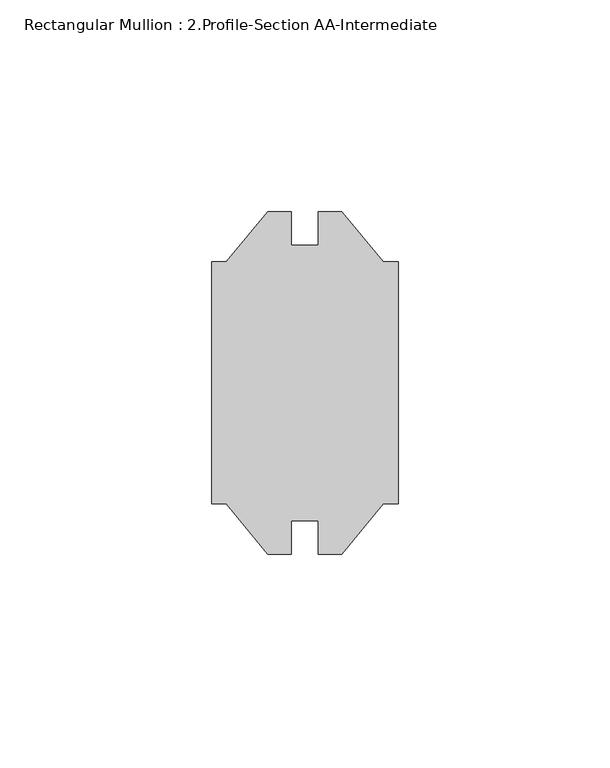
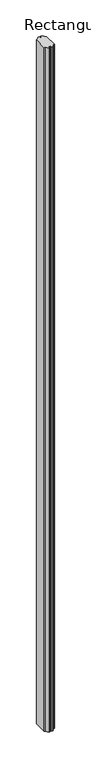
"""IFC4 building model written with IfcOpenShell, lengths in millimetres: member geometry, Rectangular Mullion : 2.Profile-Section AA-Intermediate."""

import ifcopenshell
import ifcopenshell.guid

model = None  # the IFC model being written
_history = None  # IfcOwnerHistory: only IFC2X3 demands one
_inside = {}  # id of a spatial element -> (the spatial element, [elements in it])
_under = {}  # id of a project, library or spatial element -> (it, [spatial elements below it])
_declared = {}  # id of a project -> (the project, [libraries it declares])
_typed = {}  # id of a type object -> (the type object, [elements of that type])
_made_of = {}  # id of a material, layer set ... -> (it, [elements and type objects made of it])


def new_model(schema):
    """Start an empty IFC model of exactly this schema.

    Asked for "IFC4X3", IfcOpenShell would pick the latest addendum, in which some entities
    have other attributes; the version numbers below select the first issue.
    IFC2X3 requires an IfcOwnerHistory on every rooted entity: one is made here for all.
    """
    global model, _history
    if schema == "IFC4X3":
        model = ifcopenshell.file(schema_version=(4, 3, 0, 0))
    else:
        model = ifcopenshell.file(schema=schema)
    _inside.clear()
    _under.clear()
    _declared.clear()
    _typed.clear()
    _made_of.clear()
    _history = None
    if model.schema == "IFC2X3":
        org = make("IfcOrganization", Name="unknown")
        user = make(
            "IfcPersonAndOrganization",
            ThePerson=make("IfcPerson", FamilyName="unknown"),
            TheOrganization=org,
        )
        app = make(
            "IfcApplication",
            ApplicationDeveloper=org,
            Version="unknown",
            ApplicationFullName="unknown",
            ApplicationIdentifier="unknown",
        )
        _history = make(
            "IfcOwnerHistory",
            OwningUser=user,
            OwningApplication=app,
            ChangeAction="ADDED",
            CreationDate=0,
        )
    return model


def make(cls, **values):
    """One entity of the class cls with the attributes given. An attribute that is None is left unset."""
    return model.create_entity(
        cls, **{name: value for name, value in values.items() if value is not None}
    )


def rooted(cls, **values):
    """An entity with a GlobalId (a new one), such as an element, a storey or a relation."""
    return make(cls, GlobalId=ifcopenshell.guid.new(), OwnerHistory=_history, **values)


def si_unit(unit_type, name, prefix=None):
    """IfcSIUnit, for example si_unit("LENGTHUNIT", "METRE", prefix="MILLI")."""
    return make("IfcSIUnit", UnitType=unit_type, Prefix=prefix, Name=name)


def assignment(units):
    """IfcUnitAssignment: the units of a project."""
    return None if units is None else make("IfcUnitAssignment", Units=units)


def point(xyz):
    """IfcCartesianPoint."""
    return None if xyz is None else make("IfcCartesianPoint", Coordinates=xyz)


def direction(xyz):
    """IfcDirection."""
    return None if xyz is None else make("IfcDirection", DirectionRatios=xyz)


def frame(location, z_axis=None, x_axis=None):
    """IfcAxis2Placement3D, a coordinate frame: its origin and axes. An axis left out is left unset."""
    return make(
        "IfcAxis2Placement3D",
        Location=point(location),
        Axis=direction(z_axis),
        RefDirection=direction(x_axis),
    )


def origin():
    """The frame at (0, 0, 0) with its axes left unset."""
    return frame((0.0, 0.0, 0.0))


def place(relative_to, where):
    """IfcLocalPlacement: puts the frame where relative to a parent placement (None: the world)."""
    return make(
        "IfcLocalPlacement", PlacementRelTo=relative_to, RelativePlacement=where
    )


def context(
    kind, dimensions, precision=None, world=None, true_north=None, identifier=None
):
    """IfcGeometricRepresentationContext, for example the 3D "Model" context."""
    return make(
        "IfcGeometricRepresentationContext",
        ContextIdentifier=identifier,
        ContextType=kind,
        CoordinateSpaceDimension=dimensions,
        Precision=precision,
        WorldCoordinateSystem=world,
        TrueNorth=true_north,
    )


def project(units=None, contexts=None):
    """IfcProject with its units and contexts."""
    return rooted(
        "IfcProject",
        Name="project",
        RepresentationContexts=contexts,
        UnitsInContext=assignment(units),
    )


def spatial(cls, under=None, at=None, **own):
    """A site, building, storey or space (cls), placed at a placement, below another one or the project."""
    s = rooted(cls, ObjectPlacement=at, **own)
    if under is not None:
        _under.setdefault(under.id(), (under, []))[1].append(s)
    return s


def polyline(points):
    """IfcPolyline through the points."""
    return make("IfcPolyline", Points=[point(p) for p in points])


def outline(outer, holes=None, kind="AREA"):
    """IfcArbitraryClosedProfileDef: a profile drawn as a closed curve; with holes, ...WithVoids."""
    if holes is None:
        return make("IfcArbitraryClosedProfileDef", ProfileType=kind, OuterCurve=outer)
    return make(
        "IfcArbitraryProfileDefWithVoids",
        ProfileType=kind,
        OuterCurve=outer,
        InnerCurves=holes,
    )


def extrude(swept, where, along, depth):
    """IfcExtrudedAreaSolid: the profile swept, set in the frame where, extruded along a direction by depth."""
    return make(
        "IfcExtrudedAreaSolid",
        SweptArea=swept,
        Position=where,
        ExtrudedDirection=direction(along),
        Depth=depth,
    )


def shape(context_of_items, identifier, shape_type, items):
    """IfcShapeRepresentation: the items that make up one representation, for example the "Body"."""
    return make(
        "IfcShapeRepresentation",
        ContextOfItems=context_of_items,
        RepresentationIdentifier=identifier,
        RepresentationType=shape_type,
        Items=items,
    )


def source(mapping_origin, context_of_items, identifier, shape_type, items):
    """IfcRepresentationMap: a shape defined once, which mapped items show again and again."""
    return make(
        "IfcRepresentationMap",
        MappingOrigin=mapping_origin,
        MappedRepresentation=shape(context_of_items, identifier, shape_type, items),
    )


def transform(
    local_origin,
    x_axis=None,
    y_axis=None,
    z_axis=None,
    scale=None,
    scale2=None,
    scale3=None,
    uniform=True,
):
    """IfcCartesianTransformationOperator3D, or its non-uniform kind. x_axis, y_axis, z_axis: its Axis1, 2, 3."""
    if uniform:
        return make(
            "IfcCartesianTransformationOperator3D",
            Axis1=direction(x_axis),
            Axis2=direction(y_axis),
            LocalOrigin=point(local_origin),
            Scale=scale,
            Axis3=direction(z_axis),
        )
    return make(
        "IfcCartesianTransformationOperator3DnonUniform",
        Axis1=direction(x_axis),
        Axis2=direction(y_axis),
        LocalOrigin=point(local_origin),
        Scale=scale,
        Axis3=direction(z_axis),
        Scale2=scale2,
        Scale3=scale3,
    )


def mapped(mapping_source, mapping_target):
    """IfcMappedItem: shows the shape of a source again, moved by a transform."""
    return make(
        "IfcMappedItem", MappingSource=mapping_source, MappingTarget=mapping_target
    )


def made_of(thing, what):
    """Note that an element or type object is made of a material, layer set ...; save() writes the relation."""
    if what is not None:
        _made_of.setdefault(what.id(), (what, []))[1].append(thing)
    return thing


def element(
    cls,
    number,
    at=None,
    inside=None,
    cuts=None,
    type_object=None,
    material=None,
    context=None,
    identifier="Body",
    shape_type=None,
    held_by="IfcProductDefinitionShape",
    body=None,
    shapes=None,
    **own,
):
    """One element of the class cls, such as IfcWall. Its Tag is "e" and its number.

    at: its placement. inside: the storey or other place that contains it. cuts: it is an
    opening in that element (IfcRelVoidsElement). A single representation is given by context,
    identifier, shape_type and body (its items); several are given by shapes. held_by: the class
    of the entity that holds the representations. save() writes the other relations.
    """
    e = rooted(cls, Tag="e%d" % number, ObjectPlacement=at, **own)
    if body is not None:
        shapes = [shape(context, identifier, shape_type, body)]
    if shapes is not None:
        e.Representation = make(held_by, Representations=shapes)
    if inside is not None:
        _inside.setdefault(inside.id(), (inside, []))[1].append(e)
    if cuts is not None:
        rooted(
            "IfcRelVoidsElement", RelatingBuildingElement=cuts, RelatedOpeningElement=e
        )
    if type_object is not None:
        _typed.setdefault(type_object.id(), (type_object, []))[1].append(e)
    return made_of(e, material)


def aggregate(whole, parts):
    """IfcRelAggregates: a whole, such as a stair, and the parts it consists of."""
    return rooted("IfcRelAggregates", RelatingObject=whole, RelatedObjects=parts)


def save(model, path):
    """Write the relations noted so far, then the file.

    IfcRelAggregates (storeys below a building ...), IfcRelContainedInSpatialStructure (elements
    in a storey), IfcRelDefinesByType, IfcRelAssociatesMaterial and IfcRelDeclares: one each for
    every whole, place, type object, material and project.
    """
    for whole, parts in _under.values():
        aggregate(whole, parts)
    for where, things in _inside.values():
        rooted(
            "IfcRelContainedInSpatialStructure",
            RelatedElements=things,
            RelatingStructure=where,
        )
    for kind, things in _typed.values():
        rooted("IfcRelDefinesByType", RelatedObjects=things, RelatingType=kind)
    for what, things in _made_of.values():
        rooted("IfcRelAssociatesMaterial", RelatedObjects=things, RelatingMaterial=what)
    for by, libraries in _declared.values():
        rooted("IfcRelDeclares", RelatingContext=by, RelatedDefinitions=libraries)
    model.write(path)


def rectangular_mullion_2_profile_section_aa_intermediate_8282192b(model_context):
    return source(origin(), model_context, "Body", "SweptSolid", [
        extrude(outline(polyline([(0.0, -28.575), (-3.515664, -28.575), (-13.2842, -40.48125), (-18.8595, -40.48125), (-18.8595, -32.5374), (-25.2095, -32.5374), (-25.2095, -40.48125), (-30.7848, -40.48125), (-40.553336, -28.575), (-44.069, -28.575), (-44.069, 28.575), (-40.553336, 28.575), (-30.7848, 40.48125), (-25.2095, 40.48125), (-25.2095, 32.5374), (-18.8595, 32.5374), (-18.8595, 40.48125), (-13.2842, 40.48125), (-3.515664, 28.575), (0.0, 28.575), (0.0, -28.575)])), frame((0.0, 0.0, -3048.0), z_axis=(0.0, 0.0, 1.0), x_axis=(1.0, 0.0, 0.0)), (0.0, 0.0, 1.0), 3048.0),
    ])


if __name__ == "__main__":
    model = new_model("IFC4")
    model_context = context("Model", 3, world=origin())
    ifc_project = project(units=[si_unit("LENGTHUNIT", "METRE", prefix="MILLI")], contexts=[model_context])
    site = spatial("IfcSite", under=ifc_project)
    building = spatial("IfcBuilding", under=site)
    placement = place(None, origin())
    rectangular_mullion_2_profile_section_aa_intermediate_shape = rectangular_mullion_2_profile_section_aa_intermediate_8282192b(model_context)
    element("IfcMember", 1, ObjectType="Rectangular Mullion : 2.Profile-Section AA-Intermediate", at=placement, inside=building, context=model_context, shape_type="MappedRepresentation", body=[
        mapped(rectangular_mullion_2_profile_section_aa_intermediate_shape, transform((0.0, 0.0, 0.0), x_axis=(1.0, 0.0, 0.0), y_axis=(0.0, 1.0, 0.0), z_axis=(0.0, 0.0, 1.0))),
    ])
    save(model, "model.ifc")
